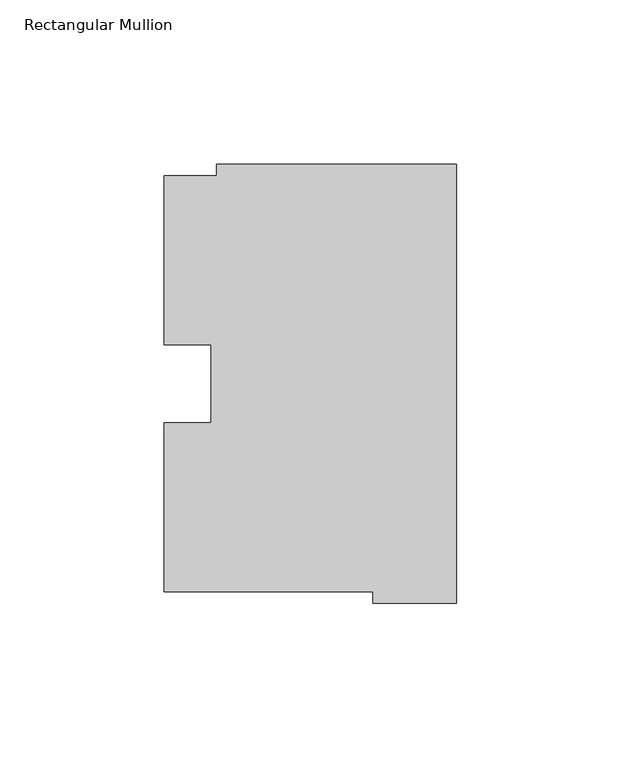
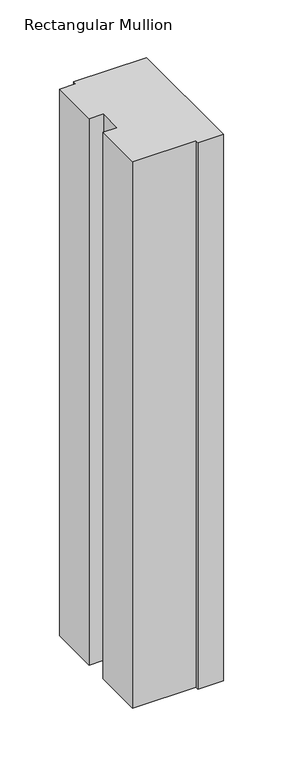
"""IFC4 building model written with IfcOpenShell, lengths in millimetres: member geometry, Rectangular Mullion."""

from ifc_helpers import new_model, si_unit, frame, origin, place, context, project, spatial, polyline, outline, extrude, source, transform, mapped, element, save


def rectangular_mullion_60fb9c71(model_context):
    return source(origin(), model_context, "Body", "SweptSolid", [
        extrude(outline(polyline([(-88.8822228, 126.75235), (-72.9776553, 126.75235), (-72.9776553, 130.1706837), (0.0, 130.1706837), (0.0, -3.193538), (-25.3822228, -3.193538), (-25.3822228, 0.26035), (-88.8822228, 0.26035), (-88.8822228, 51.60645), (-74.6074228, 51.60645), (-74.6074228, 75.40625), (-88.8822228, 75.40625), (-88.8822228, 126.75235)])), frame((0.0, 0.0, -577.8497287), z_axis=(0.0, 0.0, 1.0), x_axis=(1.0, 0.0, 0.0)), (0.0, 0.0, 1.0), 577.8497287),
    ])


if __name__ == "__main__":
    model = new_model("IFC4")
    model_context = context("Model", 3, world=origin())
    ifc_project = project(units=[si_unit("LENGTHUNIT", "METRE", prefix="MILLI")], contexts=[model_context])
    site = spatial("IfcSite", under=ifc_project)
    building = spatial("IfcBuilding", under=site)
    placement = place(None, origin())
    rectangular_mullion_shape = rectangular_mullion_60fb9c71(model_context)
    element("IfcMember", 1, ObjectType="Rectangular Mullion", at=placement, inside=building, context=model_context, shape_type="MappedRepresentation", body=[
        mapped(rectangular_mullion_shape, transform((0.0, 0.0, 0.0), x_axis=(1.0, 0.0, 0.0), y_axis=(0.0, 1.0, 0.0), z_axis=(0.0, 0.0, 1.0))),
    ])
    save(model, "model.ifc")
